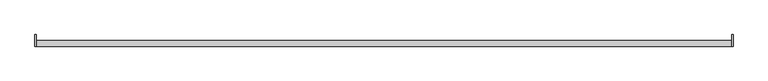
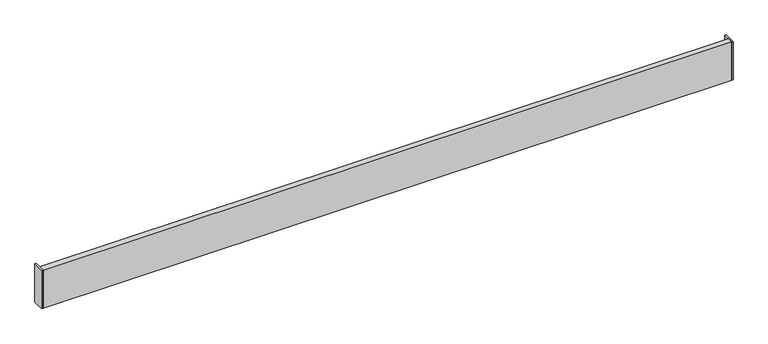
"""IFC4 building model written with IfcOpenShell, lengths in millimetres: furniture geometry."""

from ifc_helpers import new_model, si_unit, frame, origin, place, context, project, spatial, polyline, outline, extrude, source, transform, mapped, element, save


def furniture_3a7d144a(model_context):
    return source(origin(), model_context, "Body", "SweptSolid", [
        extrude(outline(polyline([(-758.825, 12.6999996), (-758.825, -12.7000004), (-762.0, -12.7000004), (-762.0, 12.6999996), (-758.825, 12.6999996)])), frame((0.0, 0.0, 952.5), z_axis=(0.0, 0.0, 1.0), x_axis=(1.0, 0.0, 0.0)), (0.0, 0.0, 1.0), 88.9),
        extrude(outline(polyline([(762.0, 12.6999996), (762.0, -12.7000004), (758.825, -12.7000004), (758.825, 12.6999996), (762.0, 12.6999996)])), frame((0.0, 0.0, 952.5), z_axis=(0.0, 0.0, 1.0), x_axis=(1.0, 0.0, 0.0)), (0.0, 0.0, 1.0), 88.9),
        extrude(outline(polyline([(758.825, 0.0), (758.825, -12.7000004), (-758.825, -12.7000004), (-758.825, 0.0), (758.825, 0.0)])), frame((0.0, 0.0, 952.5), z_axis=(0.0, 0.0, 1.0), x_axis=(1.0, 0.0, 0.0)), (0.0, 0.0, 1.0), 88.9),
        extrude(outline(polyline([(-12.7000004, 1028.6999966), (-12.7000004, 1041.4), (0.0, 1041.4), (0.0, 952.5), (-12.7000004, 952.5), (-12.7000004, 977.8999966), (-3.1750002, 977.8999966), (-3.1750002, 990.5999966), (-12.7000004, 990.5999966), (-12.7000004, 1015.9999966), (-3.1750002, 1015.9999966), (-3.1750002, 1028.6999966), (-12.7000004, 1028.6999966)])), frame((-758.825, 0.0, 0.0), z_axis=(1.0, 0.0, 0.0), x_axis=(0.0, 1.0, 0.0)), (0.0, 0.0, 1.0), 1517.65),
        extrude(outline(polyline([(-12.7000004, 1041.4), (0.0, 1041.4), (0.0, 1028.6999966), (12.6999996, 1028.6999966), (12.6999996, 965.199997), (0.0, 965.199997), (0.0, 952.5), (-12.7000004, 952.5), (-12.7000004, 1041.4)])), frame((-762.0, 0.0, 0.0), z_axis=(1.0, 0.0, 0.0), x_axis=(0.0, 1.0, 0.0)), (0.0, 0.0, 1.0), 3.175),
        extrude(outline(polyline([(-12.7000004, 1041.4), (0.0, 1041.4), (0.0, 1028.6999966), (12.6999996, 1028.6999966), (12.6999996, 965.199997), (0.0, 965.199997), (0.0, 952.5), (-12.7000004, 952.5), (-12.7000004, 1041.4)])), frame((758.825, 0.0, 0.0), z_axis=(1.0, 0.0, 0.0), x_axis=(0.0, 1.0, 0.0)), (0.0, 0.0, 1.0), 3.175),
    ])


if __name__ == "__main__":
    model = new_model("IFC4")
    model_context = context("Model", 3, world=origin())
    ifc_project = project(units=[si_unit("LENGTHUNIT", "METRE", prefix="MILLI")], contexts=[model_context])
    site = spatial("IfcSite", under=ifc_project)
    building = spatial("IfcBuilding", under=site)
    placement = place(None, origin())
    furniture_shape = furniture_3a7d144a(model_context)
    element("IfcFurniture", 1, at=placement, inside=building, context=model_context, shape_type="MappedRepresentation", body=[
        mapped(furniture_shape, transform((0.0, 0.0, 0.0), x_axis=(1.0, 0.0, 0.0), y_axis=(0.0, 1.0, 0.0), z_axis=(0.0, 0.0, 1.0))),
    ])
    save(model, "model.ifc")
